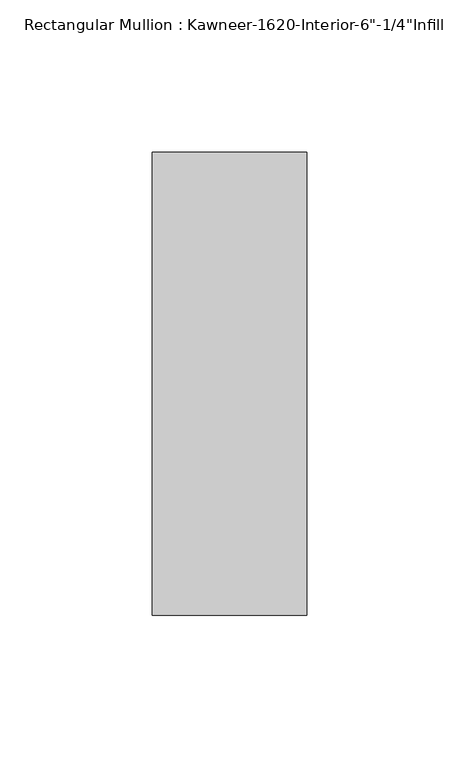
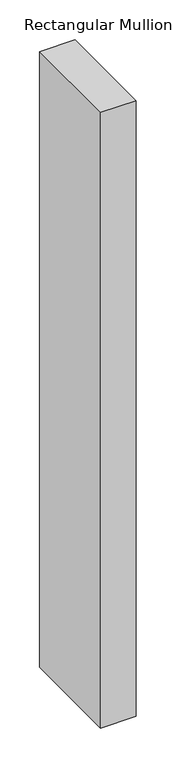
"""IFC4 building model written with IfcOpenShell, lengths in millimetres: member geometry."""

from ifc_helpers import new_model, si_unit, frame, origin, place, context, project, spatial, polyline, outline, extrude, source, transform, mapped, element, save


def member_a2dcaab0(model_context):
    return source(origin(), model_context, "Body", "SweptSolid", [
        extrude(outline(polyline([(25.4, -123.825), (-25.4, -123.825), (-25.4, 28.575), (25.4, 28.575), (25.4, -123.825)])), frame((0.0, 0.0, -939.8), z_axis=(0.0, 0.0, 1.0), x_axis=(1.0, 0.0, 0.0)), (0.0, 0.0, 1.0), 939.8),
    ])


if __name__ == "__main__":
    model = new_model("IFC4")
    model_context = context("Model", 3, world=origin())
    ifc_project = project(units=[si_unit("LENGTHUNIT", "METRE", prefix="MILLI")], contexts=[model_context])
    site = spatial("IfcSite", under=ifc_project)
    building = spatial("IfcBuilding", under=site)
    placement = place(None, origin())
    member_shape = member_a2dcaab0(model_context)
    element("IfcMember", 1, ObjectType="Rectangular Mullion : Kawneer-1620-Interior-6\"-1/4\"Infill", at=placement, inside=building, context=model_context, shape_type="MappedRepresentation", body=[
        mapped(member_shape, transform((0.0, 0.0, 0.0), x_axis=(1.0, 0.0, 0.0), y_axis=(0.0, 1.0, 0.0), z_axis=(0.0, 0.0, 1.0))),
    ])
    save(model, "model.ifc")
